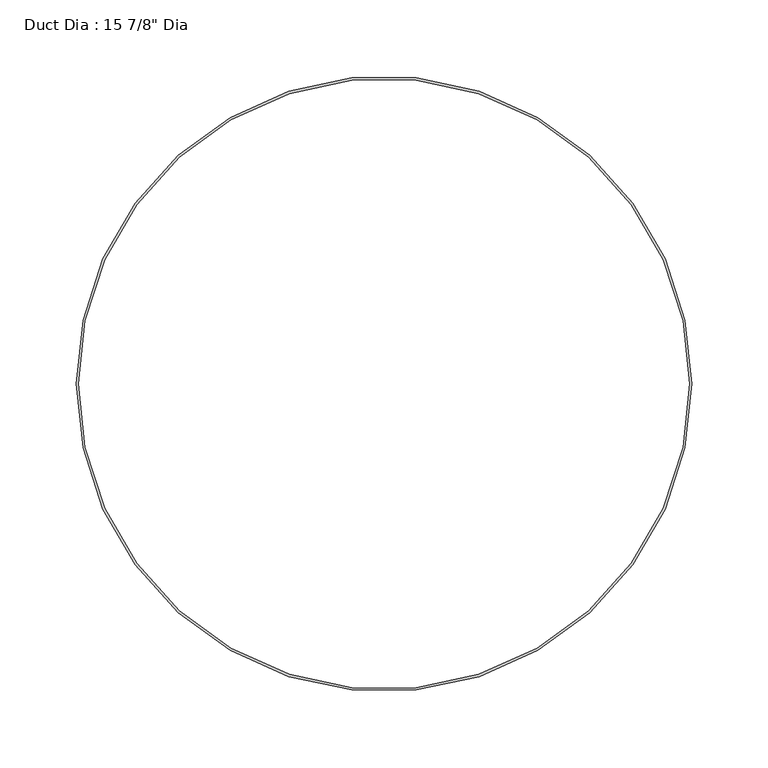
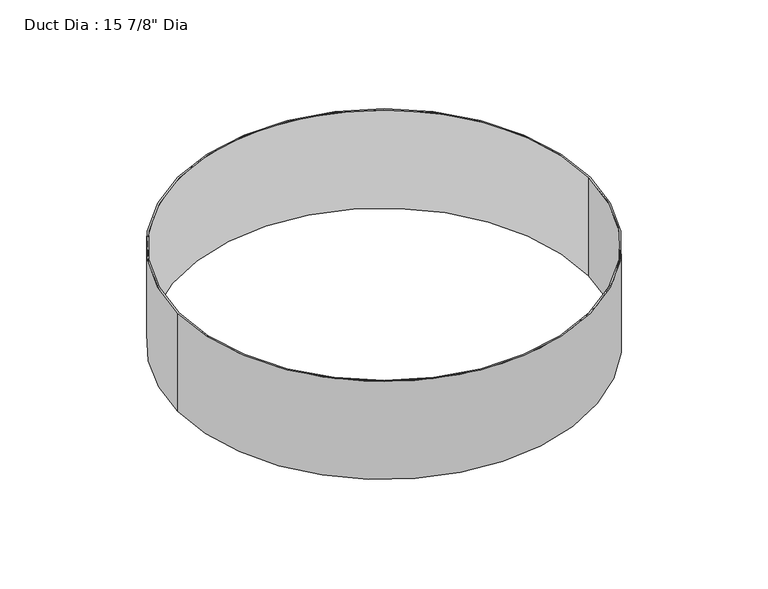
"""IFC4 building model written with IfcOpenShell, lengths in millimetres: proxy geometry."""

from ifc_helpers import new_model, si_unit, point, origin, origin_with_axes, origin_2d, place, context, project, spatial, circle_curve, trimmed, segment, composite_curve, outline, extrude, source, transform, mapped, element, save


def proxy_7c140a4c(model_context):
    return source(origin(), model_context, "Body", "SweptSolid", [
        extrude(outline(composite_curve([segment(trimmed(circle_curve(origin_2d(), 201.6125), [point((-201.6125, 0.0))], [point((201.6125, 0.0))], False, "CARTESIAN"), True, "CONTINUOUS"), segment(trimmed(circle_curve(origin_2d(), 201.6125), [point((201.6125, 0.0))], [point((-201.6125, 0.0))], False, "CARTESIAN"), True, "CONTINUOUS")], self_intersect=False), holes=[composite_curve([segment(trimmed(circle_curve(origin_2d(), 200.025), [point((-200.025, 0.0))], [point((200.025, 0.0))], True, "CARTESIAN"), True, "CONTINUOUS"), segment(trimmed(circle_curve(origin_2d(), 200.025), [point((200.025, 0.0))], [point((-200.025, 0.0))], True, "CARTESIAN"), True, "CONTINUOUS")], self_intersect=False)]), origin_with_axes(), (0.0, 0.0, 1.0), 101.6),
    ])


if __name__ == "__main__":
    model = new_model("IFC4")
    model_context = context("Model", 3, world=origin())
    ifc_project = project(units=[si_unit("LENGTHUNIT", "METRE", prefix="MILLI")], contexts=[model_context])
    site = spatial("IfcSite", under=ifc_project)
    building = spatial("IfcBuilding", under=site)
    placement = place(None, origin())
    proxy_shape = proxy_7c140a4c(model_context)
    element("IfcBuildingElementProxy", 1, Name="Duct Dia : 15 7/8\" Dia", ObjectType="Duct Dia : 15 7/8\" Dia", at=placement, inside=building, context=model_context, shape_type="MappedRepresentation", body=[
        mapped(proxy_shape, transform((0.0, 0.0, 0.0), x_axis=(1.0, 0.0, 0.0), y_axis=(0.0, 1.0, 0.0), z_axis=(0.0, 0.0, 1.0))),
    ])
    save(model, "model.ifc")
